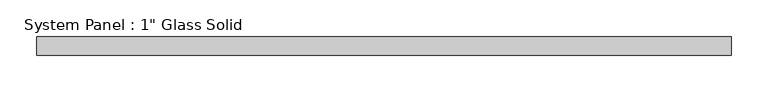
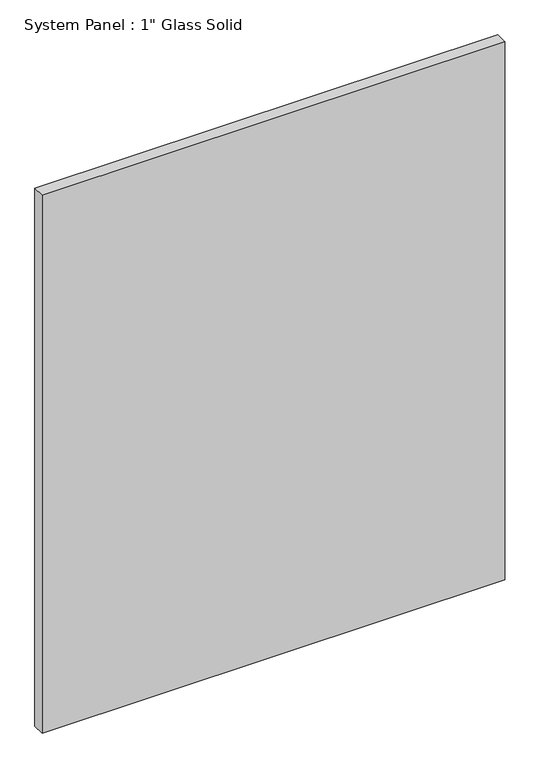
"""IFC4 building model written with IfcOpenShell, lengths in millimetres: plate geometry."""

from ifc_helpers import new_model, si_unit, origin, origin_with_axes, place, context, project, spatial, polyline, outline, extrude, source, transform, mapped, element, save


def plate_e1618bd0(model_context):
    return source(origin(), model_context, "Body", "SweptSolid", [
        extrude(outline(polyline([(475.6720691, -12.7), (-475.6720691, -12.7), (-475.6720691, 12.7), (475.6720691, 12.7), (475.6720691, -12.7)])), origin_with_axes(), (0.0, 0.0, 1.0), 1169.2827405),
    ])


if __name__ == "__main__":
    model = new_model("IFC4")
    model_context = context("Model", 3, world=origin())
    ifc_project = project(units=[si_unit("LENGTHUNIT", "METRE", prefix="MILLI")], contexts=[model_context])
    site = spatial("IfcSite", under=ifc_project)
    building = spatial("IfcBuilding", under=site)
    placement = place(None, origin())
    plate_shape = plate_e1618bd0(model_context)
    element("IfcPlate", 1, ObjectType="System Panel : 1\" Glass Solid", at=placement, inside=building, context=model_context, shape_type="MappedRepresentation", body=[
        mapped(plate_shape, transform((0.0, 0.0, 0.0), x_axis=(1.0, 0.0, 0.0), y_axis=(0.0, 1.0, 0.0), z_axis=(0.0, 0.0, 1.0))),
    ])
    save(model, "model.ifc")
